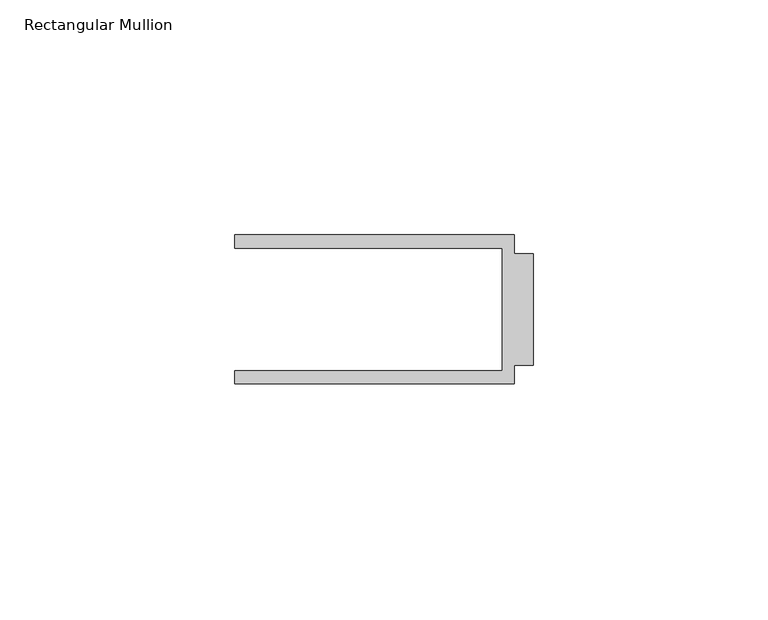
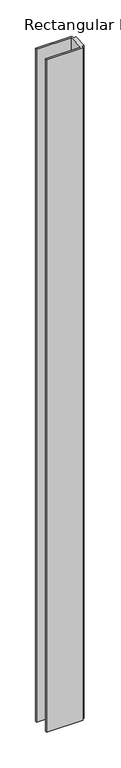
"""IFC4 building model written with IfcOpenShell, lengths in millimetres: member geometry, Rectangular Mullion."""

import ifcopenshell
import ifcopenshell.guid

model = None  # the IFC model being written
_history = None  # IfcOwnerHistory: only IFC2X3 demands one
_inside = {}  # id of a spatial element -> (the spatial element, [elements in it])
_under = {}  # id of a project, library or spatial element -> (it, [spatial elements below it])
_declared = {}  # id of a project -> (the project, [libraries it declares])
_typed = {}  # id of a type object -> (the type object, [elements of that type])
_made_of = {}  # id of a material, layer set ... -> (it, [elements and type objects made of it])


def new_model(schema):
    """Start an empty IFC model of exactly this schema.

    Asked for "IFC4X3", IfcOpenShell would pick the latest addendum, in which some entities
    have other attributes; the version numbers below select the first issue.
    IFC2X3 requires an IfcOwnerHistory on every rooted entity: one is made here for all.
    """
    global model, _history
    if schema == "IFC4X3":
        model = ifcopenshell.file(schema_version=(4, 3, 0, 0))
    else:
        model = ifcopenshell.file(schema=schema)
    _inside.clear()
    _under.clear()
    _declared.clear()
    _typed.clear()
    _made_of.clear()
    _history = None
    if model.schema == "IFC2X3":
        org = make("IfcOrganization", Name="unknown")
        user = make(
            "IfcPersonAndOrganization",
            ThePerson=make("IfcPerson", FamilyName="unknown"),
            TheOrganization=org,
        )
        app = make(
            "IfcApplication",
            ApplicationDeveloper=org,
            Version="unknown",
            ApplicationFullName="unknown",
            ApplicationIdentifier="unknown",
        )
        _history = make(
            "IfcOwnerHistory",
            OwningUser=user,
            OwningApplication=app,
            ChangeAction="ADDED",
            CreationDate=0,
        )
    return model


def make(cls, **values):
    """One entity of the class cls with the attributes given. An attribute that is None is left unset."""
    return model.create_entity(
        cls, **{name: value for name, value in values.items() if value is not None}
    )


def rooted(cls, **values):
    """An entity with a GlobalId (a new one), such as an element, a storey or a relation."""
    return make(cls, GlobalId=ifcopenshell.guid.new(), OwnerHistory=_history, **values)


def si_unit(unit_type, name, prefix=None):
    """IfcSIUnit, for example si_unit("LENGTHUNIT", "METRE", prefix="MILLI")."""
    return make("IfcSIUnit", UnitType=unit_type, Prefix=prefix, Name=name)


def assignment(units):
    """IfcUnitAssignment: the units of a project."""
    return None if units is None else make("IfcUnitAssignment", Units=units)


def point(xyz):
    """IfcCartesianPoint."""
    return None if xyz is None else make("IfcCartesianPoint", Coordinates=xyz)


def direction(xyz):
    """IfcDirection."""
    return None if xyz is None else make("IfcDirection", DirectionRatios=xyz)


def frame(location, z_axis=None, x_axis=None):
    """IfcAxis2Placement3D, a coordinate frame: its origin and axes. An axis left out is left unset."""
    return make(
        "IfcAxis2Placement3D",
        Location=point(location),
        Axis=direction(z_axis),
        RefDirection=direction(x_axis),
    )


def origin():
    """The frame at (0, 0, 0) with its axes left unset."""
    return frame((0.0, 0.0, 0.0))


def place(relative_to, where):
    """IfcLocalPlacement: puts the frame where relative to a parent placement (None: the world)."""
    return make(
        "IfcLocalPlacement", PlacementRelTo=relative_to, RelativePlacement=where
    )


def context(
    kind, dimensions, precision=None, world=None, true_north=None, identifier=None
):
    """IfcGeometricRepresentationContext, for example the 3D "Model" context."""
    return make(
        "IfcGeometricRepresentationContext",
        ContextIdentifier=identifier,
        ContextType=kind,
        CoordinateSpaceDimension=dimensions,
        Precision=precision,
        WorldCoordinateSystem=world,
        TrueNorth=true_north,
    )


def project(units=None, contexts=None):
    """IfcProject with its units and contexts."""
    return rooted(
        "IfcProject",
        Name="project",
        RepresentationContexts=contexts,
        UnitsInContext=assignment(units),
    )


def spatial(cls, under=None, at=None, **own):
    """A site, building, storey or space (cls), placed at a placement, below another one or the project."""
    s = rooted(cls, ObjectPlacement=at, **own)
    if under is not None:
        _under.setdefault(under.id(), (under, []))[1].append(s)
    return s


def polyline(points):
    """IfcPolyline through the points."""
    return make("IfcPolyline", Points=[point(p) for p in points])


def outline(outer, holes=None, kind="AREA"):
    """IfcArbitraryClosedProfileDef: a profile drawn as a closed curve; with holes, ...WithVoids."""
    if holes is None:
        return make("IfcArbitraryClosedProfileDef", ProfileType=kind, OuterCurve=outer)
    return make(
        "IfcArbitraryProfileDefWithVoids",
        ProfileType=kind,
        OuterCurve=outer,
        InnerCurves=holes,
    )


def extrude(swept, where, along, depth):
    """IfcExtrudedAreaSolid: the profile swept, set in the frame where, extruded along a direction by depth."""
    return make(
        "IfcExtrudedAreaSolid",
        SweptArea=swept,
        Position=where,
        ExtrudedDirection=direction(along),
        Depth=depth,
    )


def shape(context_of_items, identifier, shape_type, items):
    """IfcShapeRepresentation: the items that make up one representation, for example the "Body"."""
    return make(
        "IfcShapeRepresentation",
        ContextOfItems=context_of_items,
        RepresentationIdentifier=identifier,
        RepresentationType=shape_type,
        Items=items,
    )


def source(mapping_origin, context_of_items, identifier, shape_type, items):
    """IfcRepresentationMap: a shape defined once, which mapped items show again and again."""
    return make(
        "IfcRepresentationMap",
        MappingOrigin=mapping_origin,
        MappedRepresentation=shape(context_of_items, identifier, shape_type, items),
    )


def transform(
    local_origin,
    x_axis=None,
    y_axis=None,
    z_axis=None,
    scale=None,
    scale2=None,
    scale3=None,
    uniform=True,
):
    """IfcCartesianTransformationOperator3D, or its non-uniform kind. x_axis, y_axis, z_axis: its Axis1, 2, 3."""
    if uniform:
        return make(
            "IfcCartesianTransformationOperator3D",
            Axis1=direction(x_axis),
            Axis2=direction(y_axis),
            LocalOrigin=point(local_origin),
            Scale=scale,
            Axis3=direction(z_axis),
        )
    return make(
        "IfcCartesianTransformationOperator3DnonUniform",
        Axis1=direction(x_axis),
        Axis2=direction(y_axis),
        LocalOrigin=point(local_origin),
        Scale=scale,
        Axis3=direction(z_axis),
        Scale2=scale2,
        Scale3=scale3,
    )


def mapped(mapping_source, mapping_target):
    """IfcMappedItem: shows the shape of a source again, moved by a transform."""
    return make(
        "IfcMappedItem", MappingSource=mapping_source, MappingTarget=mapping_target
    )


def made_of(thing, what):
    """Note that an element or type object is made of a material, layer set ...; save() writes the relation."""
    if what is not None:
        _made_of.setdefault(what.id(), (what, []))[1].append(thing)
    return thing


def element(
    cls,
    number,
    at=None,
    inside=None,
    cuts=None,
    type_object=None,
    material=None,
    context=None,
    identifier="Body",
    shape_type=None,
    held_by="IfcProductDefinitionShape",
    body=None,
    shapes=None,
    **own,
):
    """One element of the class cls, such as IfcWall. Its Tag is "e" and its number.

    at: its placement. inside: the storey or other place that contains it. cuts: it is an
    opening in that element (IfcRelVoidsElement). A single representation is given by context,
    identifier, shape_type and body (its items); several are given by shapes. held_by: the class
    of the entity that holds the representations. save() writes the other relations.
    """
    e = rooted(cls, Tag="e%d" % number, ObjectPlacement=at, **own)
    if body is not None:
        shapes = [shape(context, identifier, shape_type, body)]
    if shapes is not None:
        e.Representation = make(held_by, Representations=shapes)
    if inside is not None:
        _inside.setdefault(inside.id(), (inside, []))[1].append(e)
    if cuts is not None:
        rooted(
            "IfcRelVoidsElement", RelatingBuildingElement=cuts, RelatedOpeningElement=e
        )
    if type_object is not None:
        _typed.setdefault(type_object.id(), (type_object, []))[1].append(e)
    return made_of(e, material)


def aggregate(whole, parts):
    """IfcRelAggregates: a whole, such as a stair, and the parts it consists of."""
    return rooted("IfcRelAggregates", RelatingObject=whole, RelatedObjects=parts)


def save(model, path):
    """Write the relations noted so far, then the file.

    IfcRelAggregates (storeys below a building ...), IfcRelContainedInSpatialStructure (elements
    in a storey), IfcRelDefinesByType, IfcRelAssociatesMaterial and IfcRelDeclares: one each for
    every whole, place, type object, material and project.
    """
    for whole, parts in _under.values():
        aggregate(whole, parts)
    for where, things in _inside.values():
        rooted(
            "IfcRelContainedInSpatialStructure",
            RelatedElements=things,
            RelatingStructure=where,
        )
    for kind, things in _typed.values():
        rooted("IfcRelDefinesByType", RelatedObjects=things, RelatingType=kind)
    for what, things in _made_of.values():
        rooted("IfcRelAssociatesMaterial", RelatedObjects=things, RelatingMaterial=what)
    for by, libraries in _declared.values():
        rooted("IfcRelDeclares", RelatingContext=by, RelatedDefinitions=libraries)
    model.write(path)


def rectangular_mullion_8b1454b9(model_context):
    return source(origin(), model_context, "Body", "SweptSolid", [
        extrude(outline(polyline([(-4.0000001, 15.875), (-4.0000001, 11.8750013), (0.0, 11.8750013), (0.0, -11.8750013), (-4.0000001, -11.8750013), (-4.0000001, -15.875), (-63.5, -15.875), (-63.5, -13.0750013), (-6.6000002, -13.0750013), (-6.6000002, 13.0750013), (-63.5, 13.0750013), (-63.5, 15.875), (-4.0000001, 15.875)])), frame((0.0, 0.0, -1155.7), z_axis=(0.0, 0.0, 1.0), x_axis=(1.0, 0.0, 0.0)), (0.0, 0.0, 1.0), 1155.7),
    ])


if __name__ == "__main__":
    model = new_model("IFC4")
    model_context = context("Model", 3, world=origin())
    ifc_project = project(units=[si_unit("LENGTHUNIT", "METRE", prefix="MILLI")], contexts=[model_context])
    site = spatial("IfcSite", under=ifc_project)
    building = spatial("IfcBuilding", under=site)
    placement = place(None, origin())
    rectangular_mullion_shape = rectangular_mullion_8b1454b9(model_context)
    element("IfcMember", 1, ObjectType="Rectangular Mullion", at=placement, inside=building, context=model_context, shape_type="MappedRepresentation", body=[
        mapped(rectangular_mullion_shape, transform((0.0, 0.0, 0.0), x_axis=(1.0, 0.0, 0.0), y_axis=(0.0, 1.0, 0.0), z_axis=(0.0, 0.0, 1.0))),
    ])
    save(model, "model.ifc")
